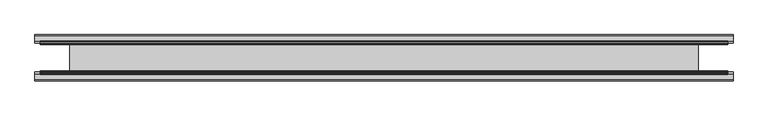
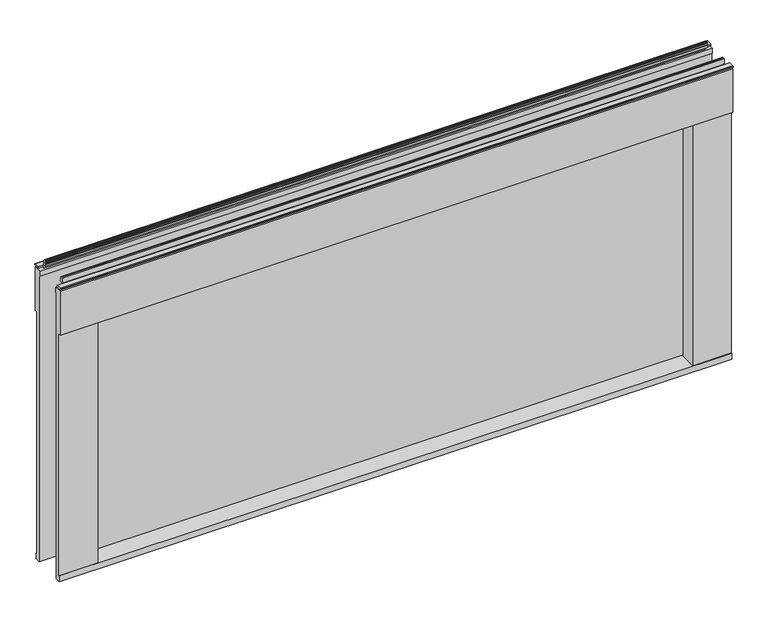
"""IFC4 building model written with IfcOpenShell, lengths in millimetres: furniture geometry."""

from ifc_helpers import new_model, si_unit, frame, origin, place, context, project, spatial, polyline, outline, extrude, faceted_brep, source, transform, mapped, element, save


def furniture_99aae2aa(model_context):
    return source(origin(), model_context, "Body", "SolidModel", [
        extrude(outline(polyline([(-237.8709821, 36.2018407), (847.4709821, 36.2018407), (847.4709821, 33.0268415), (-237.8709821, 33.0268415), (-237.8709821, 36.2018407)])), frame((0.0, 0.0, 1146.3020109), z_axis=(0.0, 0.0, 1.0), x_axis=(1.0, 0.0, 0.0)), (0.0, 0.0, 1.0), 474.7259935),
        faceted_brep([(907.796, 8.0651816, 1686.2552003), (907.796, 8.0651816, 1143.8381927), (847.4709821, 8.0651816, 1143.8381927), (847.4709821, 8.0651816, 1621.6629947), (-237.8709821, 8.0651816, 1621.6629947), (-237.8709821, 8.0651816, 1143.8381927), (-298.196, 8.0651816, 1143.8381927), (-298.196, 8.0651816, 1686.2552003), (837.9460002, -0.3168185, 1612.9000121), (837.9460002, -0.3168185, 1154.8872108), (907.796, -0.3168185, 1154.8872108), (907.796, -0.3168185, 1612.9000121), (-228.3460002, -0.3168185, 1154.8872108), (-228.3460002, -0.3168185, 1612.9000121), (-298.196, -0.3168185, 1612.9000121), (-298.196, -0.3168185, 1154.8872108), (907.796, 9.461934, 1686.2552003), (907.796, 9.461934, 1695.7802003), (907.796, -3.7617339, 1695.7802003), (907.796, -3.7617339, 1612.9000121), (907.796, -1.206066, 1154.8872108), (907.796, -1.206066, 1143.8381927), (907.796, 59.5122543, 1695.7802003), (907.796, 59.5122543, 1686.2552003), (907.796, 60.9090067, 1686.2552003), (907.796, 60.9090067, 1143.8381927), (907.796, 70.1802522, 1143.8381927), (907.796, 70.1802522, 1154.8872108), (907.796, 69.2910068, 1154.8872108), (907.796, 69.2910068, 1612.9000121), (907.796, 72.7359223, 1612.9000121), (907.796, 72.7359223, 1695.7802003), (-298.196, -1.206066, 1143.8381927), (-237.8709821, 60.9090067, 1143.8381927), (-298.196, 60.9090067, 1143.8381927), (-298.196, 70.1802522, 1143.8381927), (847.4709821, 60.9090067, 1143.8381927), (-298.196, 9.461934, 1695.7802003), (-298.196, 9.461934, 1686.2552003), (-298.196, -1.206066, 1154.8872108), (-298.196, -3.7617339, 1612.9000121), (-298.196, -3.7617339, 1695.7802003), (-298.196, 60.9090067, 1686.2552003), (-298.196, 59.5122543, 1686.2552003), (-298.196, 59.5122543, 1695.7802003), (-298.196, 72.7359223, 1695.7802003), (-298.196, 72.7359223, 1612.9000121), (-298.196, 69.2910068, 1612.9000121), (-298.196, 69.2910068, 1154.8872108), (-298.196, 70.1802522, 1154.8872108), (-228.3460002, 28.7720935, 1612.9000121), (-237.8709821, 28.7720935, 1612.9000121), (-237.8709821, 33.0268415, 1612.9000121), (847.4709821, 33.0268415, 1612.9000121), (847.4709821, 28.7720935, 1612.9000121), (837.9460002, 28.7720935, 1612.9000121), (-228.3460002, 28.7720935, 1154.8872108), (837.9460002, 28.7720935, 1154.8872108), (847.4709821, 28.7720935, 1154.8872108), (847.4709821, 33.0268415, 1154.8872108), (-237.8709821, 33.0268415, 1154.8872108), (-237.8709821, 28.7720935, 1154.8872108), (837.9460002, 69.2910068, 1612.9000121), (837.9460002, 40.2020949, 1612.9000121), (847.4709821, 40.2020949, 1612.9000121), (847.4709821, 36.2018407, 1612.9000121), (-237.8709821, 36.2018407, 1612.9000121), (-237.8709821, 40.2020949, 1612.9000121), (-228.3460002, 40.2020949, 1612.9000121), (-228.3460002, 69.2910068, 1612.9000121), (-228.3460002, 69.2910068, 1154.8872108), (-228.3460002, 40.2020949, 1154.8872108), (-237.8709821, 40.2020949, 1154.8872108), (-237.8709821, 36.2018407, 1154.8872108), (847.4709821, 36.2018407, 1154.8872108), (847.4709821, 40.2020949, 1154.8872108), (837.9460002, 40.2020949, 1154.8872108), (837.9460002, 69.2910068, 1154.8872108), (-237.8709821, 60.9090067, 1621.6629947), (847.4709821, 60.9090067, 1621.6629947), (847.4709821, 33.0268415, 1621.0280044), (847.4709821, 36.2018407, 1621.0280044), (847.4709821, 36.2018407, 1146.3020109), (847.4709821, 33.0268415, 1146.3020109), (-237.8709821, 33.0268415, 1146.3020109), (-237.8709821, 36.2018407, 1146.3020109), (-237.8709821, 36.2018407, 1621.0280044), (-237.8709821, 33.0268415, 1621.0280044)], [[[0, 1, 2, 3, 4, 5, 6, 7]], [[8, 9, 10, 11]], [[12, 13, 14, 15]], [[0, 16, 17, 18, 19, 11, 10, 20, 21, 1]], [[22, 23, 24, 25, 26, 27, 28, 29, 30, 31]], [[21, 32, 6, 5, 33, 34, 35, 26, 25, 36, 2, 1]], [[37, 38, 7, 6, 32, 39, 15, 14, 40, 41]], [[42, 43, 44, 45, 46, 47, 48, 49, 35, 34]], [[17, 37, 41, 18]], [[8, 11, 19, 40, 14, 13, 50, 51, 52, 53, 54, 55]], [[50, 13, 12, 56]], [[56, 12, 15, 39, 20, 10, 9, 57, 58, 59, 60, 61]], [[57, 9, 8, 55]], [[16, 0, 7, 38]], [[17, 16, 38, 37]], [[44, 22, 31, 45]], [[23, 22, 44, 43]], [[24, 23, 43, 42]], [[19, 18, 41, 40]], [[30, 29, 62, 63, 64, 65, 66, 67, 68, 69, 47, 46]], [[31, 30, 46, 45]], [[21, 20, 39, 32]], [[28, 27, 49, 48, 70, 71, 72, 73, 74, 75, 76, 77]], [[27, 26, 35, 49]], [[69, 70, 48, 47]], [[77, 62, 29, 28]], [[25, 24, 42, 34, 33, 78, 79, 36]], [[70, 69, 68, 71]], [[62, 77, 76, 63]], [[71, 68, 67, 72]], [[63, 76, 75, 64]], [[2, 36, 79, 3], [59, 58, 54, 53, 80, 81, 65, 64, 75, 74, 82, 83]], [[78, 33, 5, 4], [52, 51, 61, 60, 84, 85, 73, 72, 67, 66, 86, 87]], [[3, 79, 78, 4]], [[82, 74, 73, 85]], [[83, 82, 85, 84]], [[59, 83, 84, 60]], [[80, 53, 52, 87]], [[81, 80, 87, 86]], [[65, 81, 86, 66]], [[50, 56, 61, 51]], [[57, 55, 54, 58]]]),
        extrude(outline(polyline([(63.4179323, 1701.8), (63.4179323, 1695.7802003), (62.6241823, 1695.7802003), (62.6241823, 1701.5669239), (61.8304323, 1701.8), (61.8304323, 1702.6663244), (58.1955501, 1702.6663244), (57.2995781, 1703.1836103), (58.569578, 1705.3833307), (58.7351872, 1706.5863459), (58.011828, 1709.5447591), (58.0987753, 1710.9461816), (58.9657521, 1712.0506926), (60.3064315, 1712.468), (61.8304323, 1712.468), (62.6241823, 1711.67425), (62.6241823, 1701.8), (63.4179323, 1701.8)])), frame((-288.671, 0.0, 0.0), z_axis=(1.0, 0.0, 0.0), x_axis=(0.0, 1.0, 0.0)), (0.0, 0.0, 1.0), 1186.942),
        extrude(outline(polyline([(63.4179323, 1701.8), (72.9492921, 1701.8), (74.3234223, 1701.0066395), (74.3234223, 1699.4183657), (72.9492824, 1698.6249996), (63.4179323, 1698.6249996), (63.4179323, 1701.8)])), frame((-298.196, 0.0, 0.0), z_axis=(1.0, 0.0, 0.0), x_axis=(0.0, 1.0, 0.0)), (0.0, 0.0, 1.0), 1205.992),
        extrude(outline(polyline([(5.5562561, 1701.8), (6.3500061, 1701.8), (6.3500061, 1711.67425), (7.1437561, 1712.468), (8.6677569, 1712.468), (10.0084363, 1712.0506926), (10.875413, 1710.9461816), (10.9623604, 1709.5447591), (10.2390011, 1706.5863459), (10.4046103, 1705.3833307), (11.6746103, 1703.1836103), (10.7786383, 1702.6663244), (7.1437561, 1702.6663244), (7.1437561, 1701.8), (6.3500061, 1701.5669239), (6.3500061, 1695.7802003), (5.5562561, 1695.7802003), (5.5562561, 1701.8)])), frame((-288.671, 0.0, 0.0), z_axis=(1.0, 0.0, 0.0), x_axis=(0.0, 1.0, 0.0)), (0.0, 0.0, 1.0), 1186.942),
        extrude(outline(polyline([(5.5562561, 1701.8), (5.5562561, 1698.6249996), (-3.975094, 1698.6249996), (-5.3492339, 1699.4183657), (-5.3492339, 1701.0066395), (-3.9751037, 1701.8), (5.5562561, 1701.8)])), frame((-298.196, 0.0, 0.0), z_axis=(1.0, 0.0, 0.0), x_axis=(0.0, 1.0, 0.0)), (0.0, 0.0, 1.0), 1205.992),
    ])


if __name__ == "__main__":
    model = new_model("IFC4")
    model_context = context("Model", 3, world=origin())
    ifc_project = project(units=[si_unit("LENGTHUNIT", "METRE", prefix="MILLI")], contexts=[model_context])
    site = spatial("IfcSite", under=ifc_project)
    building = spatial("IfcBuilding", under=site)
    placement = place(None, origin())
    furniture_shape = furniture_99aae2aa(model_context)
    element("IfcFurniture", 1, at=placement, inside=building, context=model_context, shape_type="MappedRepresentation", body=[
        mapped(furniture_shape, transform((0.0, 0.0, 0.0), x_axis=(1.0, 0.0, 0.0), y_axis=(0.0, 1.0, 0.0), z_axis=(0.0, 0.0, 1.0))),
    ])
    save(model, "model.ifc")
